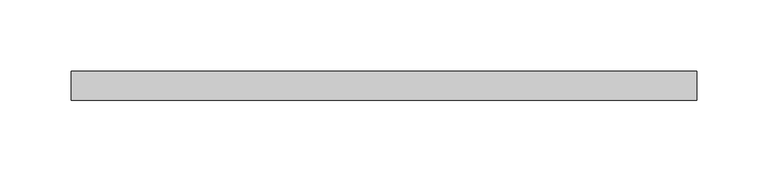
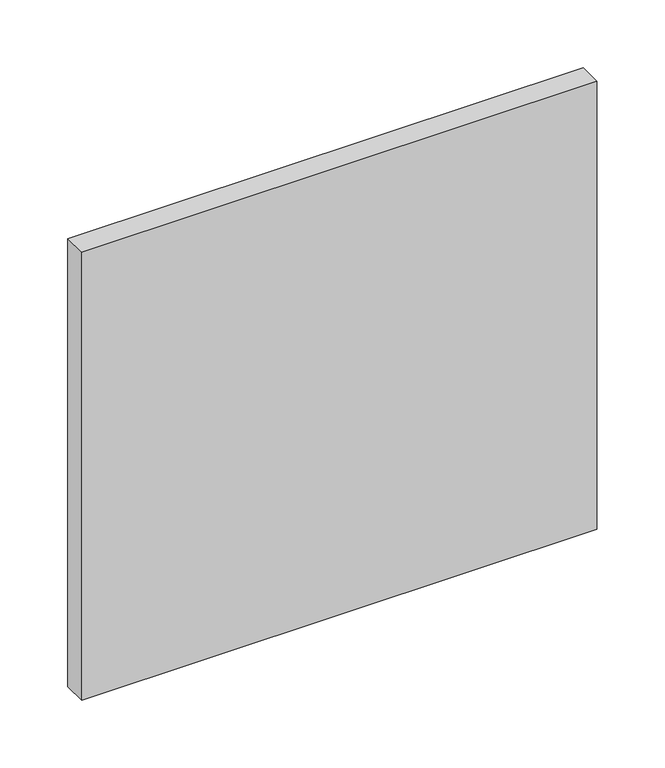
"""IFC4 building model written with IfcOpenShell, lengths in millimetres: plate geometry."""

from ifc_helpers import new_model, si_unit, origin, origin_with_axes, place, context, project, spatial, polyline, outline, extrude, source, transform, mapped, element, save


def plate_ef6584d8(model_context):
    return source(origin(), model_context, "Body", "SweptSolid", [
        extrude(outline(polyline([(218.75, 70.0), (-218.75, 70.0), (-218.75, 90.0), (218.75, 90.0), (218.75, 70.0)])), origin_with_axes(), (0.0, 0.0, 1.0), 402.3076923),
    ])


if __name__ == "__main__":
    model = new_model("IFC4")
    model_context = context("Model", 3, world=origin())
    ifc_project = project(units=[si_unit("LENGTHUNIT", "METRE", prefix="MILLI")], contexts=[model_context])
    site = spatial("IfcSite", under=ifc_project)
    building = spatial("IfcBuilding", under=site)
    placement = place(None, origin())
    plate_shape = plate_ef6584d8(model_context)
    element("IfcPlate", 1, at=placement, inside=building, context=model_context, shape_type="MappedRepresentation", body=[
        mapped(plate_shape, transform((0.0, 0.0, 0.0), x_axis=(1.0, 0.0, 0.0), y_axis=(0.0, 1.0, 0.0), z_axis=(0.0, 0.0, 1.0))),
    ])
    save(model, "model.ifc")
